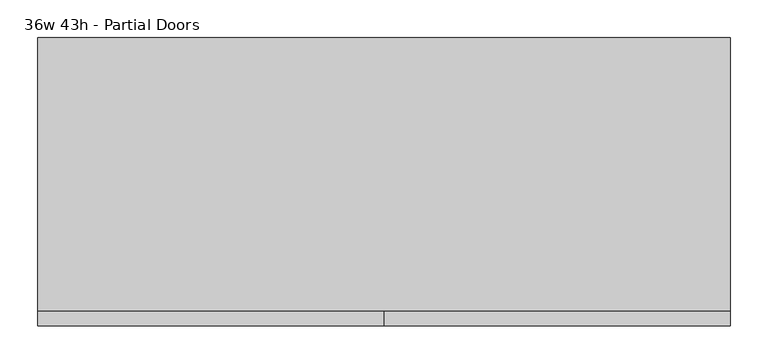
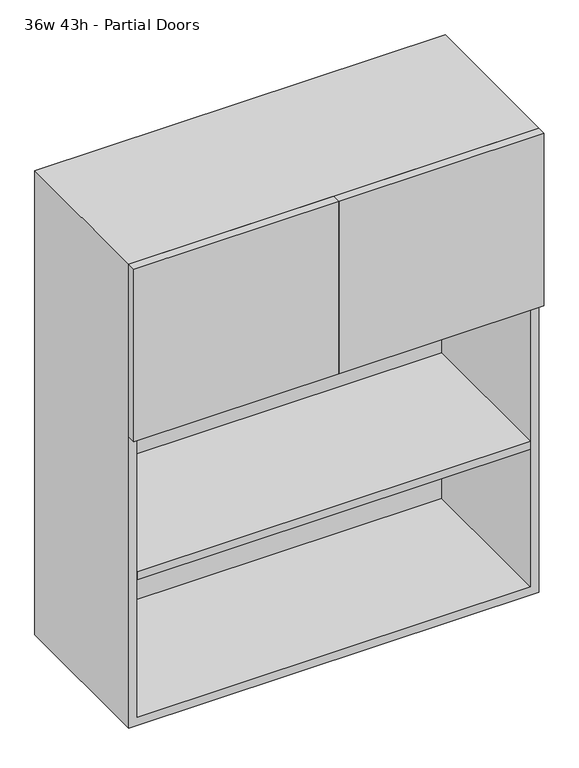
"""IFC4 building model written with IfcOpenShell, lengths in millimetres: furniture geometry, 36w 43h - Partial Doors."""

import ifcopenshell
import ifcopenshell.guid

model = None  # the IFC model being written
_history = None  # IfcOwnerHistory: only IFC2X3 demands one
_inside = {}  # id of a spatial element -> (the spatial element, [elements in it])
_under = {}  # id of a project, library or spatial element -> (it, [spatial elements below it])
_declared = {}  # id of a project -> (the project, [libraries it declares])
_typed = {}  # id of a type object -> (the type object, [elements of that type])
_made_of = {}  # id of a material, layer set ... -> (it, [elements and type objects made of it])


def new_model(schema):
    """Start an empty IFC model of exactly this schema.

    Asked for "IFC4X3", IfcOpenShell would pick the latest addendum, in which some entities
    have other attributes; the version numbers below select the first issue.
    IFC2X3 requires an IfcOwnerHistory on every rooted entity: one is made here for all.
    """
    global model, _history
    if schema == "IFC4X3":
        model = ifcopenshell.file(schema_version=(4, 3, 0, 0))
    else:
        model = ifcopenshell.file(schema=schema)
    _inside.clear()
    _under.clear()
    _declared.clear()
    _typed.clear()
    _made_of.clear()
    _history = None
    if model.schema == "IFC2X3":
        org = make("IfcOrganization", Name="unknown")
        user = make(
            "IfcPersonAndOrganization",
            ThePerson=make("IfcPerson", FamilyName="unknown"),
            TheOrganization=org,
        )
        app = make(
            "IfcApplication",
            ApplicationDeveloper=org,
            Version="unknown",
            ApplicationFullName="unknown",
            ApplicationIdentifier="unknown",
        )
        _history = make(
            "IfcOwnerHistory",
            OwningUser=user,
            OwningApplication=app,
            ChangeAction="ADDED",
            CreationDate=0,
        )
    return model


def make(cls, **values):
    """One entity of the class cls with the attributes given. An attribute that is None is left unset."""
    return model.create_entity(
        cls, **{name: value for name, value in values.items() if value is not None}
    )


def rooted(cls, **values):
    """An entity with a GlobalId (a new one), such as an element, a storey or a relation."""
    return make(cls, GlobalId=ifcopenshell.guid.new(), OwnerHistory=_history, **values)


def si_unit(unit_type, name, prefix=None):
    """IfcSIUnit, for example si_unit("LENGTHUNIT", "METRE", prefix="MILLI")."""
    return make("IfcSIUnit", UnitType=unit_type, Prefix=prefix, Name=name)


def assignment(units):
    """IfcUnitAssignment: the units of a project."""
    return None if units is None else make("IfcUnitAssignment", Units=units)


def point(xyz):
    """IfcCartesianPoint."""
    return None if xyz is None else make("IfcCartesianPoint", Coordinates=xyz)


def direction(xyz):
    """IfcDirection."""
    return None if xyz is None else make("IfcDirection", DirectionRatios=xyz)


def frame(location, z_axis=None, x_axis=None):
    """IfcAxis2Placement3D, a coordinate frame: its origin and axes. An axis left out is left unset."""
    return make(
        "IfcAxis2Placement3D",
        Location=point(location),
        Axis=direction(z_axis),
        RefDirection=direction(x_axis),
    )


def origin():
    """The frame at (0, 0, 0) with its axes left unset."""
    return frame((0.0, 0.0, 0.0))


def place(relative_to, where):
    """IfcLocalPlacement: puts the frame where relative to a parent placement (None: the world)."""
    return make(
        "IfcLocalPlacement", PlacementRelTo=relative_to, RelativePlacement=where
    )


def context(
    kind, dimensions, precision=None, world=None, true_north=None, identifier=None
):
    """IfcGeometricRepresentationContext, for example the 3D "Model" context."""
    return make(
        "IfcGeometricRepresentationContext",
        ContextIdentifier=identifier,
        ContextType=kind,
        CoordinateSpaceDimension=dimensions,
        Precision=precision,
        WorldCoordinateSystem=world,
        TrueNorth=true_north,
    )


def project(units=None, contexts=None):
    """IfcProject with its units and contexts."""
    return rooted(
        "IfcProject",
        Name="project",
        RepresentationContexts=contexts,
        UnitsInContext=assignment(units),
    )


def spatial(cls, under=None, at=None, **own):
    """A site, building, storey or space (cls), placed at a placement, below another one or the project."""
    s = rooted(cls, ObjectPlacement=at, **own)
    if under is not None:
        _under.setdefault(under.id(), (under, []))[1].append(s)
    return s


def polyline(points):
    """IfcPolyline through the points."""
    return make("IfcPolyline", Points=[point(p) for p in points])


def outline(outer, holes=None, kind="AREA"):
    """IfcArbitraryClosedProfileDef: a profile drawn as a closed curve; with holes, ...WithVoids."""
    if holes is None:
        return make("IfcArbitraryClosedProfileDef", ProfileType=kind, OuterCurve=outer)
    return make(
        "IfcArbitraryProfileDefWithVoids",
        ProfileType=kind,
        OuterCurve=outer,
        InnerCurves=holes,
    )


def extrude(swept, where, along, depth):
    """IfcExtrudedAreaSolid: the profile swept, set in the frame where, extruded along a direction by depth."""
    return make(
        "IfcExtrudedAreaSolid",
        SweptArea=swept,
        Position=where,
        ExtrudedDirection=direction(along),
        Depth=depth,
    )


def shape(context_of_items, identifier, shape_type, items):
    """IfcShapeRepresentation: the items that make up one representation, for example the "Body"."""
    return make(
        "IfcShapeRepresentation",
        ContextOfItems=context_of_items,
        RepresentationIdentifier=identifier,
        RepresentationType=shape_type,
        Items=items,
    )


def source(mapping_origin, context_of_items, identifier, shape_type, items):
    """IfcRepresentationMap: a shape defined once, which mapped items show again and again."""
    return make(
        "IfcRepresentationMap",
        MappingOrigin=mapping_origin,
        MappedRepresentation=shape(context_of_items, identifier, shape_type, items),
    )


def transform(
    local_origin,
    x_axis=None,
    y_axis=None,
    z_axis=None,
    scale=None,
    scale2=None,
    scale3=None,
    uniform=True,
):
    """IfcCartesianTransformationOperator3D, or its non-uniform kind. x_axis, y_axis, z_axis: its Axis1, 2, 3."""
    if uniform:
        return make(
            "IfcCartesianTransformationOperator3D",
            Axis1=direction(x_axis),
            Axis2=direction(y_axis),
            LocalOrigin=point(local_origin),
            Scale=scale,
            Axis3=direction(z_axis),
        )
    return make(
        "IfcCartesianTransformationOperator3DnonUniform",
        Axis1=direction(x_axis),
        Axis2=direction(y_axis),
        LocalOrigin=point(local_origin),
        Scale=scale,
        Axis3=direction(z_axis),
        Scale2=scale2,
        Scale3=scale3,
    )


def mapped(mapping_source, mapping_target):
    """IfcMappedItem: shows the shape of a source again, moved by a transform."""
    return make(
        "IfcMappedItem", MappingSource=mapping_source, MappingTarget=mapping_target
    )


def made_of(thing, what):
    """Note that an element or type object is made of a material, layer set ...; save() writes the relation."""
    if what is not None:
        _made_of.setdefault(what.id(), (what, []))[1].append(thing)
    return thing


def element(
    cls,
    number,
    at=None,
    inside=None,
    cuts=None,
    type_object=None,
    material=None,
    context=None,
    identifier="Body",
    shape_type=None,
    held_by="IfcProductDefinitionShape",
    body=None,
    shapes=None,
    **own,
):
    """One element of the class cls, such as IfcWall. Its Tag is "e" and its number.

    at: its placement. inside: the storey or other place that contains it. cuts: it is an
    opening in that element (IfcRelVoidsElement). A single representation is given by context,
    identifier, shape_type and body (its items); several are given by shapes. held_by: the class
    of the entity that holds the representations. save() writes the other relations.
    """
    e = rooted(cls, Tag="e%d" % number, ObjectPlacement=at, **own)
    if body is not None:
        shapes = [shape(context, identifier, shape_type, body)]
    if shapes is not None:
        e.Representation = make(held_by, Representations=shapes)
    if inside is not None:
        _inside.setdefault(inside.id(), (inside, []))[1].append(e)
    if cuts is not None:
        rooted(
            "IfcRelVoidsElement", RelatingBuildingElement=cuts, RelatedOpeningElement=e
        )
    if type_object is not None:
        _typed.setdefault(type_object.id(), (type_object, []))[1].append(e)
    return made_of(e, material)


def aggregate(whole, parts):
    """IfcRelAggregates: a whole, such as a stair, and the parts it consists of."""
    return rooted("IfcRelAggregates", RelatingObject=whole, RelatedObjects=parts)


def save(model, path):
    """Write the relations noted so far, then the file.

    IfcRelAggregates (storeys below a building ...), IfcRelContainedInSpatialStructure (elements
    in a storey), IfcRelDefinesByType, IfcRelAssociatesMaterial and IfcRelDeclares: one each for
    every whole, place, type object, material and project.
    """
    for whole, parts in _under.values():
        aggregate(whole, parts)
    for where, things in _inside.values():
        rooted(
            "IfcRelContainedInSpatialStructure",
            RelatedElements=things,
            RelatingStructure=where,
        )
    for kind, things in _typed.values():
        rooted("IfcRelDefinesByType", RelatedObjects=things, RelatingType=kind)
    for what, things in _made_of.values():
        rooted("IfcRelAssociatesMaterial", RelatedObjects=things, RelatingMaterial=what)
    for by, libraries in _declared.values():
        rooted("IfcRelDeclares", RelatingContext=by, RelatedDefinitions=libraries)
    model.write(path)


def furniture_36w_43h_partial_doors_00dbe4a8(model_context):
    return source(origin(), model_context, "Body", "SweptSolid", [
        extrude(outline(polyline([(438.1569453, 161.925), (438.1569453, -180.975), (-438.1291641, -180.975), (-438.1291641, 161.925), (438.1569453, 161.925)])), frame((0.0, 0.0, 1422.4), z_axis=(0.0, 0.0, 1.0), x_axis=(1.0, 0.0, 0.0)), (0.0, 0.0, 1.0), 19.05),
        extrude(outline(polyline([(438.1569453, 161.925), (438.1569453, -180.975), (-438.1291641, -180.975), (-438.1291641, 161.925), (438.1569453, 161.925)])), frame((0.0, 0.0, 1079.5), z_axis=(0.0, 0.0, 1.0), x_axis=(1.0, 0.0, 0.0)), (0.0, 0.0, 1.0), 19.05),
        extrude(outline(polyline([(0.0138906, -200.025), (0.0138906, -180.975), (457.2138906, -180.975), (457.2138906, -200.025), (0.0138906, -200.025)])), frame((0.0, 0.0, 1422.4), z_axis=(0.0, 0.0, 1.0), x_axis=(1.0, 0.0, 0.0)), (0.0, 0.0, 1.0), 406.4),
        extrude(outline(polyline([(0.0138906, -200.025), (-457.1861094, -200.025), (-457.1861094, -180.975), (0.0138906, -180.975), (0.0138906, -200.025)])), frame((0.0, 0.0, 1422.4), z_axis=(0.0, 0.0, 1.0), x_axis=(1.0, 0.0, 0.0)), (0.0, 0.0, 1.0), 406.4),
        extrude(outline(polyline([(736.6, -457.1861094), (736.6, 457.2138906), (1828.8, 457.2138906), (1828.8, -457.1861094), (736.6, -457.1861094)]), holes=[polyline([(755.65, -438.1361094), (1809.75, -438.1361094), (1809.75, 438.1569453), (755.65, 438.1569453), (755.65, -438.1361094)])]), frame((0.0, -180.975, 0.0), z_axis=(0.0, 1.0, 0.0), x_axis=(0.0, 0.0, 1.0)), (0.0, 0.0, 1.0), 361.95),
        extrude(outline(polyline([(-438.1291641, 161.925), (-438.1291641, 180.975), (438.1569453, 180.975), (438.1569453, 161.925), (-438.1291641, 161.925)])), frame((0.0, 0.0, 755.65), z_axis=(0.0, 0.0, 1.0), x_axis=(1.0, 0.0, 0.0)), (0.0, 0.0, 1.0), 1054.1),
    ])


if __name__ == "__main__":
    model = new_model("IFC4")
    model_context = context("Model", 3, world=origin())
    ifc_project = project(units=[si_unit("LENGTHUNIT", "METRE", prefix="MILLI")], contexts=[model_context])
    site = spatial("IfcSite", under=ifc_project)
    building = spatial("IfcBuilding", under=site)
    placement = place(None, origin())
    furniture_36w_43h_partial_doors_shape = furniture_36w_43h_partial_doors_00dbe4a8(model_context)
    element("IfcFurniture", 1, ObjectType="36w 43h - Partial Doors", at=placement, inside=building, context=model_context, shape_type="MappedRepresentation", body=[
        mapped(furniture_36w_43h_partial_doors_shape, transform((0.0, 0.0, 0.0), x_axis=(1.0, 0.0, 0.0), y_axis=(0.0, 1.0, 0.0), z_axis=(0.0, 0.0, 1.0))),
    ])
    save(model, "model.ifc")
